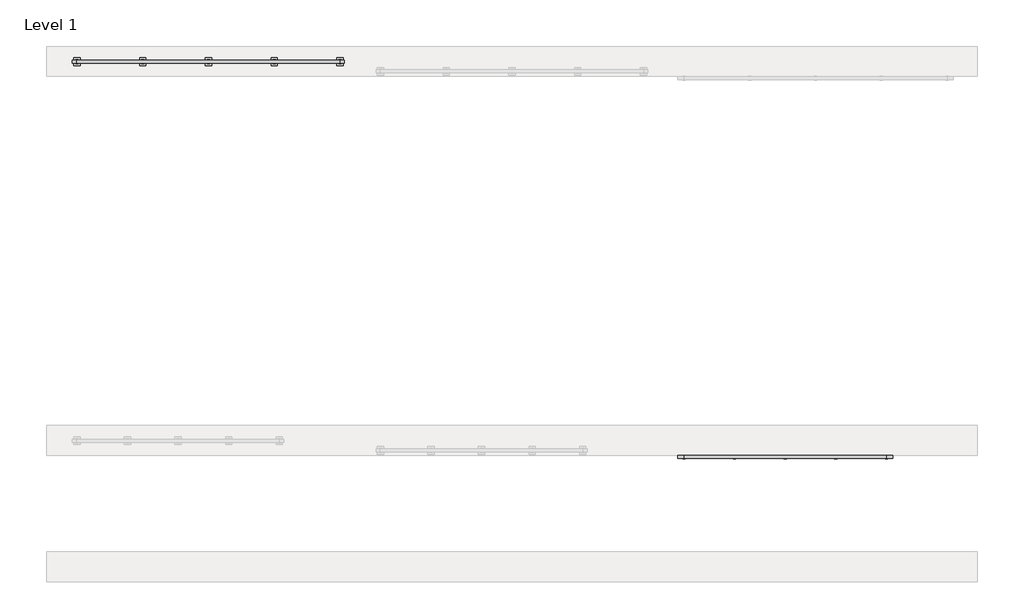
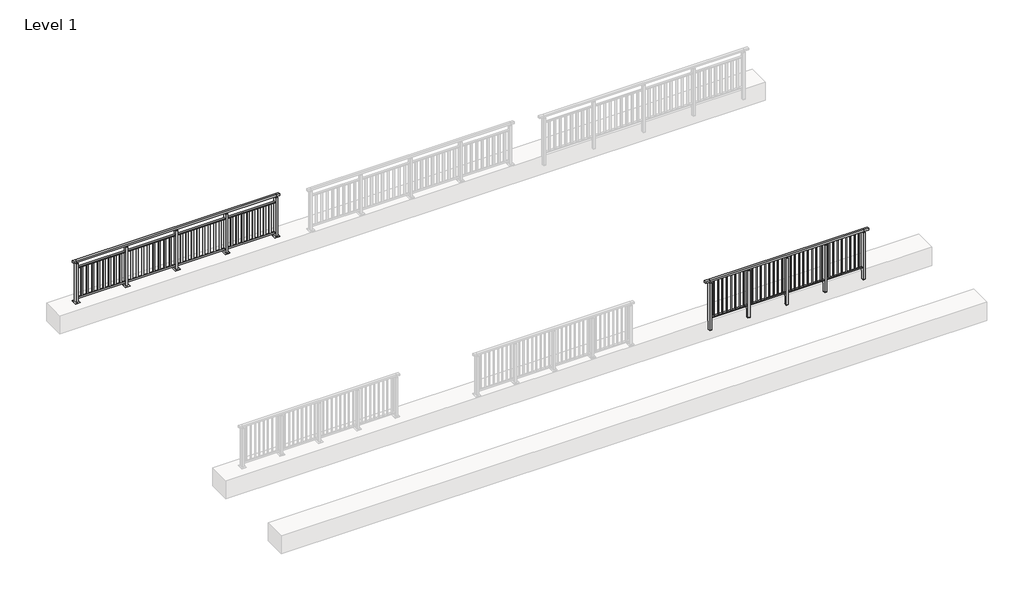
# One storey, part 15 of 38: 2 railings.
"""IFC4 building model written with IfcOpenShell, lengths in millimetres."""

from ifc_helpers import new_model, si_unit, frame, origin, origin_with_axes, place, context, project, spatial, polyline, outline, extrude, faceted_brep, element, save

model = new_model("IFC4")

# Units and contexts
model_context = context("Model", 3, world=origin())
ifc_project = project(units=[si_unit("LENGTHUNIT", "METRE", prefix="MILLI")], contexts=[model_context])

# Site, building, storey
site = spatial("IfcSite", under=ifc_project)
building = spatial("IfcBuilding", under=site)
storey = spatial("IfcBuildingStorey", under=building, Name="Level 1", Elevation=0.0)

# Railings
placement = place(None, origin())
element("IfcRailing", 1, at=placement, inside=storey, context=model_context, shape_type="SolidModel", body=[
    faceted_brep([(12000.0, 22397.6846828, 1102.5), (12000.0, 22397.6846828, 1150.0), (16000.0, 22397.6846828, 1150.0), (16000.0, 22397.6846828, 1102.5), (12000.0, 22337.6846828, 1102.5), (16000.0, 22337.6846828, 1102.5), (12000.0, 22337.6846828, 1150.0), (16000.0, 22337.6846828, 1150.0), (11877.0, 22397.6846828, 1150.0), (11877.0, 22397.6846828, 1102.5), (11877.0, 22337.6846828, 1102.5), (11877.0, 22337.6846828, 1150.0), (16123.0, 22397.6846828, 1150.0), (16123.0, 22337.6846828, 1150.0), (16123.0, 22337.6846828, 1102.5), (16123.0, 22397.6846828, 1102.5)], [[[0, 1, 2, 3]], [[4, 0, 3, 5]], [[6, 4, 5, 7]], [[1, 6, 7, 2]], [[8, 9, 10, 11]], [[9, 8, 1, 0]], [[10, 9, 0, 4]], [[11, 10, 4, 6]], [[8, 11, 6, 1]], [[12, 13, 14, 15]], [[3, 2, 12, 15]], [[5, 3, 15, 14]], [[7, 5, 14, 13]], [[2, 7, 13, 12]]]),
    extrude(outline(polyline([(12000.0, 22349.6846828), (12000.0, 22385.6846828), (16000.0, 22385.6846828), (16000.0, 22349.6846828), (12000.0, 22349.6846828)])), frame((0.0, 0.0, 93.0), z_axis=(0.0, 0.0, 1.0), x_axis=(1.0, 0.0, 0.0)), (0.0, 0.0, 1.0), 32.0),
    extrude(outline(polyline([(15896.9462151, 22359.1846828), (15879.9462151, 22359.1846828), (15879.9462151, 22376.1846828), (15896.9462151, 22376.1846828), (15896.9462151, 22359.1846828)])), frame((0.0, 0.0, 125.0), z_axis=(0.0, 0.0, 1.0), x_axis=(1.0, 0.0, 0.0)), (0.0, 0.0, 1.0), 980.0),
    extrude(outline(polyline([(15785.3924303, 22359.1846828), (15768.3924303, 22359.1846828), (15768.3924303, 22376.1846828), (15785.3924303, 22376.1846828), (15785.3924303, 22359.1846828)])), frame((0.0, 0.0, 125.0), z_axis=(0.0, 0.0, 1.0), x_axis=(1.0, 0.0, 0.0)), (0.0, 0.0, 1.0), 980.0),
    extrude(outline(polyline([(15673.8386454, 22359.1846828), (15656.8386454, 22359.1846828), (15656.8386454, 22376.1846828), (15673.8386454, 22376.1846828), (15673.8386454, 22359.1846828)])), frame((0.0, 0.0, 125.0), z_axis=(0.0, 0.0, 1.0), x_axis=(1.0, 0.0, 0.0)), (0.0, 0.0, 1.0), 980.0),
    extrude(outline(polyline([(15562.2848606, 22359.1846828), (15545.2848606, 22359.1846828), (15545.2848606, 22376.1846828), (15562.2848606, 22376.1846828), (15562.2848606, 22359.1846828)])), frame((0.0, 0.0, 125.0), z_axis=(0.0, 0.0, 1.0), x_axis=(1.0, 0.0, 0.0)), (0.0, 0.0, 1.0), 980.0),
    extrude(outline(polyline([(15450.7310757, 22359.1846828), (15433.7310757, 22359.1846828), (15433.7310757, 22376.1846828), (15450.7310757, 22376.1846828), (15450.7310757, 22359.1846828)])), frame((0.0, 0.0, 125.0), z_axis=(0.0, 0.0, 1.0), x_axis=(1.0, 0.0, 0.0)), (0.0, 0.0, 1.0), 980.0),
    extrude(outline(polyline([(15339.1772908, 22359.1846828), (15322.1772908, 22359.1846828), (15322.1772908, 22376.1846828), (15339.1772908, 22376.1846828), (15339.1772908, 22359.1846828)])), frame((0.0, 0.0, 125.0), z_axis=(0.0, 0.0, 1.0), x_axis=(1.0, 0.0, 0.0)), (0.0, 0.0, 1.0), 980.0),
    extrude(outline(polyline([(15227.623506, 22359.1846828), (15210.623506, 22359.1846828), (15210.623506, 22376.1846828), (15227.623506, 22376.1846828), (15227.623506, 22359.1846828)])), frame((0.0, 0.0, 125.0), z_axis=(0.0, 0.0, 1.0), x_axis=(1.0, 0.0, 0.0)), (0.0, 0.0, 1.0), 980.0),
    extrude(outline(polyline([(15116.0697211, 22359.1846828), (15099.0697211, 22359.1846828), (15099.0697211, 22376.1846828), (15116.0697211, 22376.1846828), (15116.0697211, 22359.1846828)])), frame((0.0, 0.0, 125.0), z_axis=(0.0, 0.0, 1.0), x_axis=(1.0, 0.0, 0.0)), (0.0, 0.0, 1.0), 980.0),
    extrude(outline(polyline([(15027.0, 22406.6846828), (15027.0, 22328.6846828), (14973.0, 22328.6846828), (14973.0, 22406.6846828), (15027.0, 22406.6846828)])), frame((0.0, 0.0, 1077.0), z_axis=(0.0, 0.0, 1.0), x_axis=(1.0, 0.0, 0.0)), (0.0, 0.0, 1.0), 8.0),
    extrude(outline(polyline([(15027.0, 22406.6846828), (15027.0, 22328.6846828), (14973.0, 22328.6846828), (14973.0, 22406.6846828), (15027.0, 22406.6846828)])), frame((0.0, 0.0, -212.0), z_axis=(0.0, 0.0, 1.0), x_axis=(1.0, 0.0, 0.0)), (0.0, 0.0, 1.0), 1289.0),
    extrude(outline(polyline([(15010.0, 22377.6846828), (15010.0, 22357.6846828), (14990.0, 22357.6846828), (14990.0, 22377.6846828), (15010.0, 22377.6846828)])), frame((0.0, 0.0, 1085.0), z_axis=(0.0, 0.0, 1.0), x_axis=(1.0, 0.0, 0.0)), (0.0, 0.0, 1.0), 20.0),
    extrude(outline(polyline([(15027.0, 22406.6846828), (15027.0, 22328.6846828), (14973.0, 22328.6846828), (14973.0, 22406.6846828), (15027.0, 22406.6846828)])), frame((0.0, 0.0, -220.0), z_axis=(0.0, 0.0, 1.0), x_axis=(1.0, 0.0, 0.0)), (0.0, 0.0, 1.0), 8.0),
    extrude(outline(polyline([(14896.9462151, 22359.1846828), (14879.9462151, 22359.1846828), (14879.9462151, 22376.1846828), (14896.9462151, 22376.1846828), (14896.9462151, 22359.1846828)])), frame((0.0, 0.0, 125.0), z_axis=(0.0, 0.0, 1.0), x_axis=(1.0, 0.0, 0.0)), (0.0, 0.0, 1.0), 980.0),
    extrude(outline(polyline([(14785.3924303, 22359.1846828), (14768.3924303, 22359.1846828), (14768.3924303, 22376.1846828), (14785.3924303, 22376.1846828), (14785.3924303, 22359.1846828)])), frame((0.0, 0.0, 125.0), z_axis=(0.0, 0.0, 1.0), x_axis=(1.0, 0.0, 0.0)), (0.0, 0.0, 1.0), 980.0),
    extrude(outline(polyline([(14673.8386454, 22359.1846828), (14656.8386454, 22359.1846828), (14656.8386454, 22376.1846828), (14673.8386454, 22376.1846828), (14673.8386454, 22359.1846828)])), frame((0.0, 0.0, 125.0), z_axis=(0.0, 0.0, 1.0), x_axis=(1.0, 0.0, 0.0)), (0.0, 0.0, 1.0), 980.0),
    extrude(outline(polyline([(14562.2848606, 22359.1846828), (14545.2848606, 22359.1846828), (14545.2848606, 22376.1846828), (14562.2848606, 22376.1846828), (14562.2848606, 22359.1846828)])), frame((0.0, 0.0, 125.0), z_axis=(0.0, 0.0, 1.0), x_axis=(1.0, 0.0, 0.0)), (0.0, 0.0, 1.0), 980.0),
    extrude(outline(polyline([(14450.7310757, 22359.1846828), (14433.7310757, 22359.1846828), (14433.7310757, 22376.1846828), (14450.7310757, 22376.1846828), (14450.7310757, 22359.1846828)])), frame((0.0, 0.0, 125.0), z_axis=(0.0, 0.0, 1.0), x_axis=(1.0, 0.0, 0.0)), (0.0, 0.0, 1.0), 980.0),
    extrude(outline(polyline([(14339.1772908, 22359.1846828), (14322.1772908, 22359.1846828), (14322.1772908, 22376.1846828), (14339.1772908, 22376.1846828), (14339.1772908, 22359.1846828)])), frame((0.0, 0.0, 125.0), z_axis=(0.0, 0.0, 1.0), x_axis=(1.0, 0.0, 0.0)), (0.0, 0.0, 1.0), 980.0),
    extrude(outline(polyline([(14227.623506, 22359.1846828), (14210.623506, 22359.1846828), (14210.623506, 22376.1846828), (14227.623506, 22376.1846828), (14227.623506, 22359.1846828)])), frame((0.0, 0.0, 125.0), z_axis=(0.0, 0.0, 1.0), x_axis=(1.0, 0.0, 0.0)), (0.0, 0.0, 1.0), 980.0),
    extrude(outline(polyline([(14116.0697211, 22359.1846828), (14099.0697211, 22359.1846828), (14099.0697211, 22376.1846828), (14116.0697211, 22376.1846828), (14116.0697211, 22359.1846828)])), frame((0.0, 0.0, 125.0), z_axis=(0.0, 0.0, 1.0), x_axis=(1.0, 0.0, 0.0)), (0.0, 0.0, 1.0), 980.0),
    extrude(outline(polyline([(14027.0, 22406.6846828), (14027.0, 22328.6846828), (13973.0, 22328.6846828), (13973.0, 22406.6846828), (14027.0, 22406.6846828)])), frame((0.0, 0.0, 1077.0), z_axis=(0.0, 0.0, 1.0), x_axis=(1.0, 0.0, 0.0)), (0.0, 0.0, 1.0), 8.0),
    extrude(outline(polyline([(14027.0, 22406.6846828), (14027.0, 22328.6846828), (13973.0, 22328.6846828), (13973.0, 22406.6846828), (14027.0, 22406.6846828)])), frame((0.0, 0.0, -212.0), z_axis=(0.0, 0.0, 1.0), x_axis=(1.0, 0.0, 0.0)), (0.0, 0.0, 1.0), 1289.0),
    extrude(outline(polyline([(14010.0, 22377.6846828), (14010.0, 22357.6846828), (13990.0, 22357.6846828), (13990.0, 22377.6846828), (14010.0, 22377.6846828)])), frame((0.0, 0.0, 1085.0), z_axis=(0.0, 0.0, 1.0), x_axis=(1.0, 0.0, 0.0)), (0.0, 0.0, 1.0), 20.0),
    extrude(outline(polyline([(14027.0, 22406.6846828), (14027.0, 22328.6846828), (13973.0, 22328.6846828), (13973.0, 22406.6846828), (14027.0, 22406.6846828)])), frame((0.0, 0.0, -220.0), z_axis=(0.0, 0.0, 1.0), x_axis=(1.0, 0.0, 0.0)), (0.0, 0.0, 1.0), 8.0),
    extrude(outline(polyline([(13896.9462151, 22359.1846828), (13879.9462151, 22359.1846828), (13879.9462151, 22376.1846828), (13896.9462151, 22376.1846828), (13896.9462151, 22359.1846828)])), frame((0.0, 0.0, 125.0), z_axis=(0.0, 0.0, 1.0), x_axis=(1.0, 0.0, 0.0)), (0.0, 0.0, 1.0), 980.0),
    extrude(outline(polyline([(13785.3924303, 22359.1846828), (13768.3924303, 22359.1846828), (13768.3924303, 22376.1846828), (13785.3924303, 22376.1846828), (13785.3924303, 22359.1846828)])), frame((0.0, 0.0, 125.0), z_axis=(0.0, 0.0, 1.0), x_axis=(1.0, 0.0, 0.0)), (0.0, 0.0, 1.0), 980.0),
    extrude(outline(polyline([(13673.8386454, 22359.1846828), (13656.8386454, 22359.1846828), (13656.8386454, 22376.1846828), (13673.8386454, 22376.1846828), (13673.8386454, 22359.1846828)])), frame((0.0, 0.0, 125.0), z_axis=(0.0, 0.0, 1.0), x_axis=(1.0, 0.0, 0.0)), (0.0, 0.0, 1.0), 980.0),
    extrude(outline(polyline([(13562.2848606, 22359.1846828), (13545.2848606, 22359.1846828), (13545.2848606, 22376.1846828), (13562.2848606, 22376.1846828), (13562.2848606, 22359.1846828)])), frame((0.0, 0.0, 125.0), z_axis=(0.0, 0.0, 1.0), x_axis=(1.0, 0.0, 0.0)), (0.0, 0.0, 1.0), 980.0),
    extrude(outline(polyline([(13450.7310757, 22359.1846828), (13433.7310757, 22359.1846828), (13433.7310757, 22376.1846828), (13450.7310757, 22376.1846828), (13450.7310757, 22359.1846828)])), frame((0.0, 0.0, 125.0), z_axis=(0.0, 0.0, 1.0), x_axis=(1.0, 0.0, 0.0)), (0.0, 0.0, 1.0), 980.0),
    extrude(outline(polyline([(13339.1772908, 22359.1846828), (13322.1772908, 22359.1846828), (13322.1772908, 22376.1846828), (13339.1772908, 22376.1846828), (13339.1772908, 22359.1846828)])), frame((0.0, 0.0, 125.0), z_axis=(0.0, 0.0, 1.0), x_axis=(1.0, 0.0, 0.0)), (0.0, 0.0, 1.0), 980.0),
    extrude(outline(polyline([(13227.623506, 22359.1846828), (13210.623506, 22359.1846828), (13210.623506, 22376.1846828), (13227.623506, 22376.1846828), (13227.623506, 22359.1846828)])), frame((0.0, 0.0, 125.0), z_axis=(0.0, 0.0, 1.0), x_axis=(1.0, 0.0, 0.0)), (0.0, 0.0, 1.0), 980.0),
    extrude(outline(polyline([(13116.0697211, 22359.1846828), (13099.0697211, 22359.1846828), (13099.0697211, 22376.1846828), (13116.0697211, 22376.1846828), (13116.0697211, 22359.1846828)])), frame((0.0, 0.0, 125.0), z_axis=(0.0, 0.0, 1.0), x_axis=(1.0, 0.0, 0.0)), (0.0, 0.0, 1.0), 980.0),
    extrude(outline(polyline([(13027.0, 22406.6846828), (13027.0, 22328.6846828), (12973.0, 22328.6846828), (12973.0, 22406.6846828), (13027.0, 22406.6846828)])), frame((0.0, 0.0, 1077.0), z_axis=(0.0, 0.0, 1.0), x_axis=(1.0, 0.0, 0.0)), (0.0, 0.0, 1.0), 8.0),
    extrude(outline(polyline([(13027.0, 22406.6846828), (13027.0, 22328.6846828), (12973.0, 22328.6846828), (12973.0, 22406.6846828), (13027.0, 22406.6846828)])), frame((0.0, 0.0, -212.0), z_axis=(0.0, 0.0, 1.0), x_axis=(1.0, 0.0, 0.0)), (0.0, 0.0, 1.0), 1289.0),
    extrude(outline(polyline([(13010.0, 22377.6846828), (13010.0, 22357.6846828), (12990.0, 22357.6846828), (12990.0, 22377.6846828), (13010.0, 22377.6846828)])), frame((0.0, 0.0, 1085.0), z_axis=(0.0, 0.0, 1.0), x_axis=(1.0, 0.0, 0.0)), (0.0, 0.0, 1.0), 20.0),
    extrude(outline(polyline([(13027.0, 22406.6846828), (13027.0, 22328.6846828), (12973.0, 22328.6846828), (12973.0, 22406.6846828), (13027.0, 22406.6846828)])), frame((0.0, 0.0, -220.0), z_axis=(0.0, 0.0, 1.0), x_axis=(1.0, 0.0, 0.0)), (0.0, 0.0, 1.0), 8.0),
    extrude(outline(polyline([(12896.9462151, 22359.1846828), (12879.9462151, 22359.1846828), (12879.9462151, 22376.1846828), (12896.9462151, 22376.1846828), (12896.9462151, 22359.1846828)])), frame((0.0, 0.0, 125.0), z_axis=(0.0, 0.0, 1.0), x_axis=(1.0, 0.0, 0.0)), (0.0, 0.0, 1.0), 980.0),
    extrude(outline(polyline([(12785.3924303, 22359.1846828), (12768.3924303, 22359.1846828), (12768.3924303, 22376.1846828), (12785.3924303, 22376.1846828), (12785.3924303, 22359.1846828)])), frame((0.0, 0.0, 125.0), z_axis=(0.0, 0.0, 1.0), x_axis=(1.0, 0.0, 0.0)), (0.0, 0.0, 1.0), 980.0),
    extrude(outline(polyline([(12673.8386454, 22359.1846828), (12656.8386454, 22359.1846828), (12656.8386454, 22376.1846828), (12673.8386454, 22376.1846828), (12673.8386454, 22359.1846828)])), frame((0.0, 0.0, 125.0), z_axis=(0.0, 0.0, 1.0), x_axis=(1.0, 0.0, 0.0)), (0.0, 0.0, 1.0), 980.0),
    extrude(outline(polyline([(12562.2848606, 22359.1846828), (12545.2848606, 22359.1846828), (12545.2848606, 22376.1846828), (12562.2848606, 22376.1846828), (12562.2848606, 22359.1846828)])), frame((0.0, 0.0, 125.0), z_axis=(0.0, 0.0, 1.0), x_axis=(1.0, 0.0, 0.0)), (0.0, 0.0, 1.0), 980.0),
    extrude(outline(polyline([(12450.7310757, 22359.1846828), (12433.7310757, 22359.1846828), (12433.7310757, 22376.1846828), (12450.7310757, 22376.1846828), (12450.7310757, 22359.1846828)])), frame((0.0, 0.0, 125.0), z_axis=(0.0, 0.0, 1.0), x_axis=(1.0, 0.0, 0.0)), (0.0, 0.0, 1.0), 980.0),
    extrude(outline(polyline([(12339.1772908, 22359.1846828), (12322.1772908, 22359.1846828), (12322.1772908, 22376.1846828), (12339.1772908, 22376.1846828), (12339.1772908, 22359.1846828)])), frame((0.0, 0.0, 125.0), z_axis=(0.0, 0.0, 1.0), x_axis=(1.0, 0.0, 0.0)), (0.0, 0.0, 1.0), 980.0),
    extrude(outline(polyline([(12227.623506, 22359.1846828), (12210.623506, 22359.1846828), (12210.623506, 22376.1846828), (12227.623506, 22376.1846828), (12227.623506, 22359.1846828)])), frame((0.0, 0.0, 125.0), z_axis=(0.0, 0.0, 1.0), x_axis=(1.0, 0.0, 0.0)), (0.0, 0.0, 1.0), 980.0),
    extrude(outline(polyline([(12116.0697211, 22359.1846828), (12099.0697211, 22359.1846828), (12099.0697211, 22376.1846828), (12116.0697211, 22376.1846828), (12116.0697211, 22359.1846828)])), frame((0.0, 0.0, 125.0), z_axis=(0.0, 0.0, 1.0), x_axis=(1.0, 0.0, 0.0)), (0.0, 0.0, 1.0), 980.0),
    extrude(outline(polyline([(16027.0, 22406.6846828), (16027.0, 22328.6846828), (15973.0, 22328.6846828), (15973.0, 22406.6846828), (16027.0, 22406.6846828)])), frame((0.0, 0.0, 1077.0), z_axis=(0.0, 0.0, 1.0), x_axis=(1.0, 0.0, 0.0)), (0.0, 0.0, 1.0), 8.0),
    extrude(outline(polyline([(16027.0, 22406.6846828), (16027.0, 22328.6846828), (15973.0, 22328.6846828), (15973.0, 22406.6846828), (16027.0, 22406.6846828)])), frame((0.0, 0.0, -212.0), z_axis=(0.0, 0.0, 1.0), x_axis=(1.0, 0.0, 0.0)), (0.0, 0.0, 1.0), 1289.0),
    extrude(outline(polyline([(16010.0, 22377.6846828), (16010.0, 22357.6846828), (15990.0, 22357.6846828), (15990.0, 22377.6846828), (16010.0, 22377.6846828)])), frame((0.0, 0.0, 1085.0), z_axis=(0.0, 0.0, 1.0), x_axis=(1.0, 0.0, 0.0)), (0.0, 0.0, 1.0), 20.0),
    extrude(outline(polyline([(16027.0, 22406.6846828), (16027.0, 22328.6846828), (15973.0, 22328.6846828), (15973.0, 22406.6846828), (16027.0, 22406.6846828)])), frame((0.0, 0.0, -220.0), z_axis=(0.0, 0.0, 1.0), x_axis=(1.0, 0.0, 0.0)), (0.0, 0.0, 1.0), 8.0),
    extrude(outline(polyline([(12027.0, 22406.6846828), (12027.0, 22328.6846828), (11973.0, 22328.6846828), (11973.0, 22406.6846828), (12027.0, 22406.6846828)])), frame((0.0, 0.0, 1077.0), z_axis=(0.0, 0.0, 1.0), x_axis=(1.0, 0.0, 0.0)), (0.0, 0.0, 1.0), 8.0),
    extrude(outline(polyline([(12027.0, 22406.6846828), (12027.0, 22328.6846828), (11973.0, 22328.6846828), (11973.0, 22406.6846828), (12027.0, 22406.6846828)])), frame((0.0, 0.0, -212.0), z_axis=(0.0, 0.0, 1.0), x_axis=(1.0, 0.0, 0.0)), (0.0, 0.0, 1.0), 1289.0),
    extrude(outline(polyline([(12010.0, 22377.6846828), (12010.0, 22357.6846828), (11990.0, 22357.6846828), (11990.0, 22377.6846828), (12010.0, 22377.6846828)])), frame((0.0, 0.0, 1085.0), z_axis=(0.0, 0.0, 1.0), x_axis=(1.0, 0.0, 0.0)), (0.0, 0.0, 1.0), 20.0),
    extrude(outline(polyline([(12027.0, 22406.6846828), (12027.0, 22328.6846828), (11973.0, 22328.6846828), (11973.0, 22406.6846828), (12027.0, 22406.6846828)])), frame((0.0, 0.0, -220.0), z_axis=(0.0, 0.0, 1.0), x_axis=(1.0, 0.0, 0.0)), (0.0, 0.0, 1.0), 8.0),
])
element("IfcRailing", 2, at=placement, inside=storey, context=model_context, shape_type="SolidModel", body=[
    faceted_brep([(0.0, 30220.1846828, 1102.5), (0.0, 30220.1846828, 1150.0), (5200.0, 30220.1846828, 1150.0), (5200.0, 30220.1846828, 1102.5), (0.0, 30160.1846828, 1102.5), (5200.0, 30160.1846828, 1102.5), (0.0, 30160.1846828, 1150.0), (5200.0, 30160.1846828, 1150.0), (-87.5, 30220.1846828, 1150.0), (-87.5, 30220.1846828, 1102.5), (-87.5, 30160.1846828, 1102.5), (-87.5, 30160.1846828, 1150.0), (5287.5, 30220.1846828, 1150.0), (5287.5, 30160.1846828, 1150.0), (5287.5, 30160.1846828, 1102.5), (5287.5, 30220.1846828, 1102.5)], [[[0, 1, 2, 3]], [[4, 0, 3, 5]], [[6, 4, 5, 7]], [[1, 6, 7, 2]], [[8, 9, 10, 11]], [[9, 8, 1, 0]], [[10, 9, 0, 4]], [[11, 10, 4, 6]], [[8, 11, 6, 1]], [[12, 13, 14, 15]], [[3, 2, 12, 15]], [[5, 3, 15, 14]], [[7, 5, 14, 13]], [[2, 7, 13, 12]]]),
    extrude(outline(polyline([(0.0, 30172.1846828), (0.0, 30208.1846828), (5200.0, 30208.1846828), (5200.0, 30172.1846828), (0.0, 30172.1846828)])), frame((0.0, 0.0, 928.0), z_axis=(0.0, 0.0, 1.0), x_axis=(1.0, 0.0, 0.0)), (0.0, 0.0, 1.0), 32.0),
    extrude(outline(polyline([(0.0, 30172.1846828), (0.0, 30208.1846828), (5200.0, 30208.1846828), (5200.0, 30172.1846828), (0.0, 30172.1846828)])), frame((0.0, 0.0, 93.0), z_axis=(0.0, 0.0, 1.0), x_axis=(1.0, 0.0, 0.0)), (0.0, 0.0, 1.0), 32.0),
    extrude(outline(polyline([(5078.5106952, 30181.6846828), (5029.5106952, 30181.6846828), (5029.5106952, 30198.6846828), (5078.5106952, 30198.6846828), (5078.5106952, 30181.6846828)])), frame((0.0, 0.0, 125.0), z_axis=(0.0, 0.0, 1.0), x_axis=(1.0, 0.0, 0.0)), (0.0, 0.0, 1.0), 803.0),
    extrude(outline(polyline([(4934.5076394, 30181.6846828), (4885.5076394, 30181.6846828), (4885.5076394, 30198.6846828), (4934.5076394, 30198.6846828), (4934.5076394, 30181.6846828)])), frame((0.0, 0.0, 125.0), z_axis=(0.0, 0.0, 1.0), x_axis=(1.0, 0.0, 0.0)), (0.0, 0.0, 1.0), 803.0),
    extrude(outline(polyline([(4790.5045837, 30181.6846828), (4741.5045837, 30181.6846828), (4741.5045837, 30198.6846828), (4790.5045837, 30198.6846828), (4790.5045837, 30181.6846828)])), frame((0.0, 0.0, 125.0), z_axis=(0.0, 0.0, 1.0), x_axis=(1.0, 0.0, 0.0)), (0.0, 0.0, 1.0), 803.0),
    extrude(outline(polyline([(4646.5015279, 30181.6846828), (4597.5015279, 30181.6846828), (4597.5015279, 30198.6846828), (4646.5015279, 30198.6846828), (4646.5015279, 30181.6846828)])), frame((0.0, 0.0, 125.0), z_axis=(0.0, 0.0, 1.0), x_axis=(1.0, 0.0, 0.0)), (0.0, 0.0, 1.0), 803.0),
    extrude(outline(polyline([(4502.4984721, 30181.6846828), (4453.4984721, 30181.6846828), (4453.4984721, 30198.6846828), (4502.4984721, 30198.6846828), (4502.4984721, 30181.6846828)])), frame((0.0, 0.0, 125.0), z_axis=(0.0, 0.0, 1.0), x_axis=(1.0, 0.0, 0.0)), (0.0, 0.0, 1.0), 803.0),
    extrude(outline(polyline([(4358.4954163, 30181.6846828), (4309.4954163, 30181.6846828), (4309.4954163, 30198.6846828), (4358.4954163, 30198.6846828), (4358.4954163, 30181.6846828)])), frame((0.0, 0.0, 125.0), z_axis=(0.0, 0.0, 1.0), x_axis=(1.0, 0.0, 0.0)), (0.0, 0.0, 1.0), 803.0),
    extrude(outline(polyline([(4214.4923606, 30181.6846828), (4165.4923606, 30181.6846828), (4165.4923606, 30198.6846828), (4214.4923606, 30198.6846828), (4214.4923606, 30181.6846828)])), frame((0.0, 0.0, 125.0), z_axis=(0.0, 0.0, 1.0), x_axis=(1.0, 0.0, 0.0)), (0.0, 0.0, 1.0), 803.0),
    extrude(outline(polyline([(4070.4893048, 30181.6846828), (4021.4893048, 30181.6846828), (4021.4893048, 30198.6846828), (4070.4893048, 30198.6846828), (4070.4893048, 30181.6846828)])), frame((0.0, 0.0, 125.0), z_axis=(0.0, 0.0, 1.0), x_axis=(1.0, 0.0, 0.0)), (0.0, 0.0, 1.0), 803.0),
    extrude(outline(polyline([(3910.0, 30200.1846828), (3910.0, 30180.1846828), (3890.0, 30180.1846828), (3890.0, 30200.1846828), (3910.0, 30200.1846828)])), frame((0.0, 0.0, 1085.0), z_axis=(0.0, 0.0, 1.0), x_axis=(1.0, 0.0, 0.0)), (0.0, 0.0, 1.0), 20.0),
    extrude(outline(polyline([(3927.0, 30229.1846828), (3927.0, 30151.1846828), (3873.0, 30151.1846828), (3873.0, 30229.1846828), (3927.0, 30229.1846828)])), frame((0.0, 0.0, 1077.0), z_axis=(0.0, 0.0, 1.0), x_axis=(1.0, 0.0, 0.0)), (0.0, 0.0, 1.0), 8.0),
    extrude(outline(polyline([(3962.5, 30265.1846828), (3962.5, 30115.1846828), (3837.5, 30115.1846828), (3837.5, 30265.1846828), (3962.5, 30265.1846828)])), origin_with_axes(), (0.0, 0.0, 1.0), 12.0),
    extrude(outline(polyline([(3927.0, 30229.1846828), (3927.0, 30151.1846828), (3873.0, 30151.1846828), (3873.0, 30229.1846828), (3927.0, 30229.1846828)])), frame((0.0, 0.0, 12.0), z_axis=(0.0, 0.0, 1.0), x_axis=(1.0, 0.0, 0.0)), (0.0, 0.0, 1.0), 1065.0),
    extrude(outline(polyline([(3778.5106952, 30181.6846828), (3729.5106952, 30181.6846828), (3729.5106952, 30198.6846828), (3778.5106952, 30198.6846828), (3778.5106952, 30181.6846828)])), frame((0.0, 0.0, 125.0), z_axis=(0.0, 0.0, 1.0), x_axis=(1.0, 0.0, 0.0)), (0.0, 0.0, 1.0), 803.0),
    extrude(outline(polyline([(3634.5076394, 30181.6846828), (3585.5076394, 30181.6846828), (3585.5076394, 30198.6846828), (3634.5076394, 30198.6846828), (3634.5076394, 30181.6846828)])), frame((0.0, 0.0, 125.0), z_axis=(0.0, 0.0, 1.0), x_axis=(1.0, 0.0, 0.0)), (0.0, 0.0, 1.0), 803.0),
    extrude(outline(polyline([(3490.5045837, 30181.6846828), (3441.5045837, 30181.6846828), (3441.5045837, 30198.6846828), (3490.5045837, 30198.6846828), (3490.5045837, 30181.6846828)])), frame((0.0, 0.0, 125.0), z_axis=(0.0, 0.0, 1.0), x_axis=(1.0, 0.0, 0.0)), (0.0, 0.0, 1.0), 803.0),
    extrude(outline(polyline([(3346.5015279, 30181.6846828), (3297.5015279, 30181.6846828), (3297.5015279, 30198.6846828), (3346.5015279, 30198.6846828), (3346.5015279, 30181.6846828)])), frame((0.0, 0.0, 125.0), z_axis=(0.0, 0.0, 1.0), x_axis=(1.0, 0.0, 0.0)), (0.0, 0.0, 1.0), 803.0),
    extrude(outline(polyline([(3202.4984721, 30181.6846828), (3153.4984721, 30181.6846828), (3153.4984721, 30198.6846828), (3202.4984721, 30198.6846828), (3202.4984721, 30181.6846828)])), frame((0.0, 0.0, 125.0), z_axis=(0.0, 0.0, 1.0), x_axis=(1.0, 0.0, 0.0)), (0.0, 0.0, 1.0), 803.0),
    extrude(outline(polyline([(3058.4954163, 30181.6846828), (3009.4954163, 30181.6846828), (3009.4954163, 30198.6846828), (3058.4954163, 30198.6846828), (3058.4954163, 30181.6846828)])), frame((0.0, 0.0, 125.0), z_axis=(0.0, 0.0, 1.0), x_axis=(1.0, 0.0, 0.0)), (0.0, 0.0, 1.0), 803.0),
    extrude(outline(polyline([(2914.4923606, 30181.6846828), (2865.4923606, 30181.6846828), (2865.4923606, 30198.6846828), (2914.4923606, 30198.6846828), (2914.4923606, 30181.6846828)])), frame((0.0, 0.0, 125.0), z_axis=(0.0, 0.0, 1.0), x_axis=(1.0, 0.0, 0.0)), (0.0, 0.0, 1.0), 803.0),
    extrude(outline(polyline([(2770.4893048, 30181.6846828), (2721.4893048, 30181.6846828), (2721.4893048, 30198.6846828), (2770.4893048, 30198.6846828), (2770.4893048, 30181.6846828)])), frame((0.0, 0.0, 125.0), z_axis=(0.0, 0.0, 1.0), x_axis=(1.0, 0.0, 0.0)), (0.0, 0.0, 1.0), 803.0),
    extrude(outline(polyline([(2610.0, 30200.1846828), (2610.0, 30180.1846828), (2590.0, 30180.1846828), (2590.0, 30200.1846828), (2610.0, 30200.1846828)])), frame((0.0, 0.0, 1085.0), z_axis=(0.0, 0.0, 1.0), x_axis=(1.0, 0.0, 0.0)), (0.0, 0.0, 1.0), 20.0),
    extrude(outline(polyline([(2627.0, 30229.1846828), (2627.0, 30151.1846828), (2573.0, 30151.1846828), (2573.0, 30229.1846828), (2627.0, 30229.1846828)])), frame((0.0, 0.0, 1077.0), z_axis=(0.0, 0.0, 1.0), x_axis=(1.0, 0.0, 0.0)), (0.0, 0.0, 1.0), 8.0),
    extrude(outline(polyline([(2662.5, 30265.1846828), (2662.5, 30115.1846828), (2537.5, 30115.1846828), (2537.5, 30265.1846828), (2662.5, 30265.1846828)])), origin_with_axes(), (0.0, 0.0, 1.0), 12.0),
    extrude(outline(polyline([(2627.0, 30229.1846828), (2627.0, 30151.1846828), (2573.0, 30151.1846828), (2573.0, 30229.1846828), (2627.0, 30229.1846828)])), frame((0.0, 0.0, 12.0), z_axis=(0.0, 0.0, 1.0), x_axis=(1.0, 0.0, 0.0)), (0.0, 0.0, 1.0), 1065.0),
    extrude(outline(polyline([(2478.5106952, 30181.6846828), (2429.5106952, 30181.6846828), (2429.5106952, 30198.6846828), (2478.5106952, 30198.6846828), (2478.5106952, 30181.6846828)])), frame((0.0, 0.0, 125.0), z_axis=(0.0, 0.0, 1.0), x_axis=(1.0, 0.0, 0.0)), (0.0, 0.0, 1.0), 803.0),
    extrude(outline(polyline([(2334.5076394, 30181.6846828), (2285.5076394, 30181.6846828), (2285.5076394, 30198.6846828), (2334.5076394, 30198.6846828), (2334.5076394, 30181.6846828)])), frame((0.0, 0.0, 125.0), z_axis=(0.0, 0.0, 1.0), x_axis=(1.0, 0.0, 0.0)), (0.0, 0.0, 1.0), 803.0),
    extrude(outline(polyline([(2190.5045837, 30181.6846828), (2141.5045837, 30181.6846828), (2141.5045837, 30198.6846828), (2190.5045837, 30198.6846828), (2190.5045837, 30181.6846828)])), frame((0.0, 0.0, 125.0), z_axis=(0.0, 0.0, 1.0), x_axis=(1.0, 0.0, 0.0)), (0.0, 0.0, 1.0), 803.0),
    extrude(outline(polyline([(2046.5015279, 30181.6846828), (1997.5015279, 30181.6846828), (1997.5015279, 30198.6846828), (2046.5015279, 30198.6846828), (2046.5015279, 30181.6846828)])), frame((0.0, 0.0, 125.0), z_axis=(0.0, 0.0, 1.0), x_axis=(1.0, 0.0, 0.0)), (0.0, 0.0, 1.0), 803.0),
    extrude(outline(polyline([(1902.4984721, 30181.6846828), (1853.4984721, 30181.6846828), (1853.4984721, 30198.6846828), (1902.4984721, 30198.6846828), (1902.4984721, 30181.6846828)])), frame((0.0, 0.0, 125.0), z_axis=(0.0, 0.0, 1.0), x_axis=(1.0, 0.0, 0.0)), (0.0, 0.0, 1.0), 803.0),
    extrude(outline(polyline([(1758.4954163, 30181.6846828), (1709.4954163, 30181.6846828), (1709.4954163, 30198.6846828), (1758.4954163, 30198.6846828), (1758.4954163, 30181.6846828)])), frame((0.0, 0.0, 125.0), z_axis=(0.0, 0.0, 1.0), x_axis=(1.0, 0.0, 0.0)), (0.0, 0.0, 1.0), 803.0),
    extrude(outline(polyline([(1614.4923606, 30181.6846828), (1565.4923606, 30181.6846828), (1565.4923606, 30198.6846828), (1614.4923606, 30198.6846828), (1614.4923606, 30181.6846828)])), frame((0.0, 0.0, 125.0), z_axis=(0.0, 0.0, 1.0), x_axis=(1.0, 0.0, 0.0)), (0.0, 0.0, 1.0), 803.0),
    extrude(outline(polyline([(1470.4893048, 30181.6846828), (1421.4893048, 30181.6846828), (1421.4893048, 30198.6846828), (1470.4893048, 30198.6846828), (1470.4893048, 30181.6846828)])), frame((0.0, 0.0, 125.0), z_axis=(0.0, 0.0, 1.0), x_axis=(1.0, 0.0, 0.0)), (0.0, 0.0, 1.0), 803.0),
    extrude(outline(polyline([(1310.0, 30200.1846828), (1310.0, 30180.1846828), (1290.0, 30180.1846828), (1290.0, 30200.1846828), (1310.0, 30200.1846828)])), frame((0.0, 0.0, 1085.0), z_axis=(0.0, 0.0, 1.0), x_axis=(1.0, 0.0, 0.0)), (0.0, 0.0, 1.0), 20.0),
    extrude(outline(polyline([(1327.0, 30229.1846828), (1327.0, 30151.1846828), (1273.0, 30151.1846828), (1273.0, 30229.1846828), (1327.0, 30229.1846828)])), frame((0.0, 0.0, 1077.0), z_axis=(0.0, 0.0, 1.0), x_axis=(1.0, 0.0, 0.0)), (0.0, 0.0, 1.0), 8.0),
    extrude(outline(polyline([(1362.5, 30265.1846828), (1362.5, 30115.1846828), (1237.5, 30115.1846828), (1237.5, 30265.1846828), (1362.5, 30265.1846828)])), origin_with_axes(), (0.0, 0.0, 1.0), 12.0),
    extrude(outline(polyline([(1327.0, 30229.1846828), (1327.0, 30151.1846828), (1273.0, 30151.1846828), (1273.0, 30229.1846828), (1327.0, 30229.1846828)])), frame((0.0, 0.0, 12.0), z_axis=(0.0, 0.0, 1.0), x_axis=(1.0, 0.0, 0.0)), (0.0, 0.0, 1.0), 1065.0),
    extrude(outline(polyline([(1178.5106952, 30181.6846828), (1129.5106952, 30181.6846828), (1129.5106952, 30198.6846828), (1178.5106952, 30198.6846828), (1178.5106952, 30181.6846828)])), frame((0.0, 0.0, 125.0), z_axis=(0.0, 0.0, 1.0), x_axis=(1.0, 0.0, 0.0)), (0.0, 0.0, 1.0), 803.0),
    extrude(outline(polyline([(1034.5076394, 30181.6846828), (985.5076394, 30181.6846828), (985.5076394, 30198.6846828), (1034.5076394, 30198.6846828), (1034.5076394, 30181.6846828)])), frame((0.0, 0.0, 125.0), z_axis=(0.0, 0.0, 1.0), x_axis=(1.0, 0.0, 0.0)), (0.0, 0.0, 1.0), 803.0),
    extrude(outline(polyline([(890.5045837, 30181.6846828), (841.5045837, 30181.6846828), (841.5045837, 30198.6846828), (890.5045837, 30198.6846828), (890.5045837, 30181.6846828)])), frame((0.0, 0.0, 125.0), z_axis=(0.0, 0.0, 1.0), x_axis=(1.0, 0.0, 0.0)), (0.0, 0.0, 1.0), 803.0),
    extrude(outline(polyline([(746.5015279, 30181.6846828), (697.5015279, 30181.6846828), (697.5015279, 30198.6846828), (746.5015279, 30198.6846828), (746.5015279, 30181.6846828)])), frame((0.0, 0.0, 125.0), z_axis=(0.0, 0.0, 1.0), x_axis=(1.0, 0.0, 0.0)), (0.0, 0.0, 1.0), 803.0),
    extrude(outline(polyline([(602.4984721, 30181.6846828), (553.4984721, 30181.6846828), (553.4984721, 30198.6846828), (602.4984721, 30198.6846828), (602.4984721, 30181.6846828)])), frame((0.0, 0.0, 125.0), z_axis=(0.0, 0.0, 1.0), x_axis=(1.0, 0.0, 0.0)), (0.0, 0.0, 1.0), 803.0),
    extrude(outline(polyline([(458.4954163, 30181.6846828), (409.4954163, 30181.6846828), (409.4954163, 30198.6846828), (458.4954163, 30198.6846828), (458.4954163, 30181.6846828)])), frame((0.0, 0.0, 125.0), z_axis=(0.0, 0.0, 1.0), x_axis=(1.0, 0.0, 0.0)), (0.0, 0.0, 1.0), 803.0),
    extrude(outline(polyline([(314.4923606, 30181.6846828), (265.4923606, 30181.6846828), (265.4923606, 30198.6846828), (314.4923606, 30198.6846828), (314.4923606, 30181.6846828)])), frame((0.0, 0.0, 125.0), z_axis=(0.0, 0.0, 1.0), x_axis=(1.0, 0.0, 0.0)), (0.0, 0.0, 1.0), 803.0),
    extrude(outline(polyline([(170.4893048, 30181.6846828), (121.4893048, 30181.6846828), (121.4893048, 30198.6846828), (170.4893048, 30198.6846828), (170.4893048, 30181.6846828)])), frame((0.0, 0.0, 125.0), z_axis=(0.0, 0.0, 1.0), x_axis=(1.0, 0.0, 0.0)), (0.0, 0.0, 1.0), 803.0),
    extrude(outline(polyline([(5210.0, 30200.1846828), (5210.0, 30180.1846828), (5190.0, 30180.1846828), (5190.0, 30200.1846828), (5210.0, 30200.1846828)])), frame((0.0, 0.0, 1085.0), z_axis=(0.0, 0.0, 1.0), x_axis=(1.0, 0.0, 0.0)), (0.0, 0.0, 1.0), 20.0),
    extrude(outline(polyline([(5227.0, 30229.1846828), (5227.0, 30151.1846828), (5173.0, 30151.1846828), (5173.0, 30229.1846828), (5227.0, 30229.1846828)])), frame((0.0, 0.0, 1077.0), z_axis=(0.0, 0.0, 1.0), x_axis=(1.0, 0.0, 0.0)), (0.0, 0.0, 1.0), 8.0),
    extrude(outline(polyline([(5262.5, 30265.1846828), (5262.5, 30115.1846828), (5137.5, 30115.1846828), (5137.5, 30265.1846828), (5262.5, 30265.1846828)])), origin_with_axes(), (0.0, 0.0, 1.0), 12.0),
    extrude(outline(polyline([(5227.0, 30229.1846828), (5227.0, 30151.1846828), (5173.0, 30151.1846828), (5173.0, 30229.1846828), (5227.0, 30229.1846828)])), frame((0.0, 0.0, 12.0), z_axis=(0.0, 0.0, 1.0), x_axis=(1.0, 0.0, 0.0)), (0.0, 0.0, 1.0), 1065.0),
    extrude(outline(polyline([(10.0, 30200.1846828), (10.0, 30180.1846828), (-10.0, 30180.1846828), (-10.0, 30200.1846828), (10.0, 30200.1846828)])), frame((0.0, 0.0, 1085.0), z_axis=(0.0, 0.0, 1.0), x_axis=(1.0, 0.0, 0.0)), (0.0, 0.0, 1.0), 20.0),
    extrude(outline(polyline([(27.0, 30229.1846828), (27.0, 30151.1846828), (-27.0, 30151.1846828), (-27.0, 30229.1846828), (27.0, 30229.1846828)])), frame((0.0, 0.0, 1077.0), z_axis=(0.0, 0.0, 1.0), x_axis=(1.0, 0.0, 0.0)), (0.0, 0.0, 1.0), 8.0),
    extrude(outline(polyline([(62.5, 30265.1846828), (62.5, 30115.1846828), (-62.5, 30115.1846828), (-62.5, 30265.1846828), (62.5, 30265.1846828)])), origin_with_axes(), (0.0, 0.0, 1.0), 12.0),
    extrude(outline(polyline([(27.0, 30229.1846828), (27.0, 30151.1846828), (-27.0, 30151.1846828), (-27.0, 30229.1846828), (27.0, 30229.1846828)])), frame((0.0, 0.0, 12.0), z_axis=(0.0, 0.0, 1.0), x_axis=(1.0, 0.0, 0.0)), (0.0, 0.0, 1.0), 1065.0),
])

save(model, "model.ifc")
